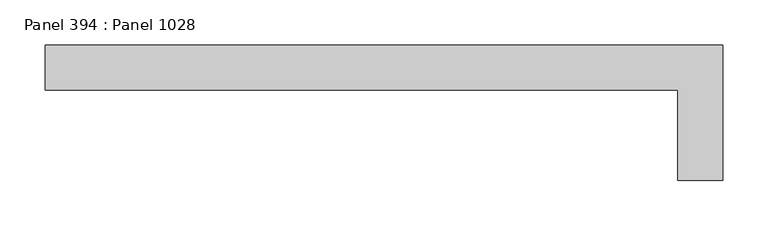
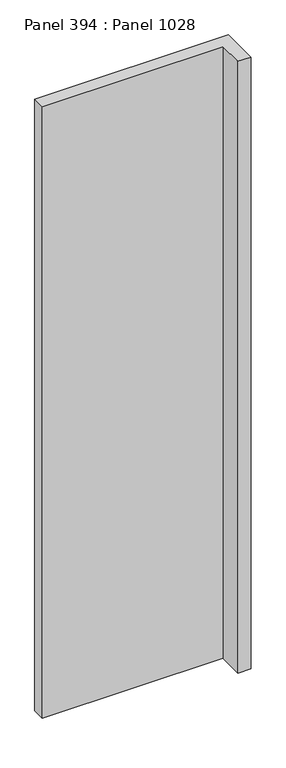
"""IFC4 building model written with IfcOpenShell, lengths in millimetres: proxy geometry, Panel 394 : Panel 1028."""

from ifc_helpers import new_model, si_unit, frame, origin, place, context, project, spatial, polyline, outline, extrude, source, transform, mapped, element, save


def panel_394_panel_1028_ea8557e9(model_context):
    return source(origin(), model_context, "Body", "SweptSolid", [
        extrude(outline(polyline([(39817.4760294, 344005.785434), (39767.4759875, 344005.7854336), (39767.4759911, 344105.7853404), (39067.4761022, 344105.7853612), (39067.4761037, 344155.785403), (39817.4760347, 344155.7854089), (39817.4760294, 344005.785434)])), frame((0.0, 0.0, 34575.0), z_axis=(0.0, 0.0, 1.0), x_axis=(1.0, 0.0, 0.0)), (0.0, 0.0, 1.0), 2500.0),
    ])


if __name__ == "__main__":
    model = new_model("IFC4")
    model_context = context("Model", 3, world=origin())
    ifc_project = project(units=[si_unit("LENGTHUNIT", "METRE", prefix="MILLI")], contexts=[model_context])
    site = spatial("IfcSite", under=ifc_project)
    building = spatial("IfcBuilding", under=site)
    placement = place(None, origin())
    panel_394_panel_1028_shape = panel_394_panel_1028_ea8557e9(model_context)
    element("IfcBuildingElementProxy", 1, Name="Panel 394 : Panel 1028", ObjectType="Panel 394 : Panel 1028", at=placement, inside=building, context=model_context, shape_type="MappedRepresentation", body=[
        mapped(panel_394_panel_1028_shape, transform((0.0, 0.0, 0.0), x_axis=(1.0, 0.0, 0.0), y_axis=(0.0, 1.0, 0.0), z_axis=(0.0, 0.0, 1.0))),
    ])
    save(model, "model.ifc")
